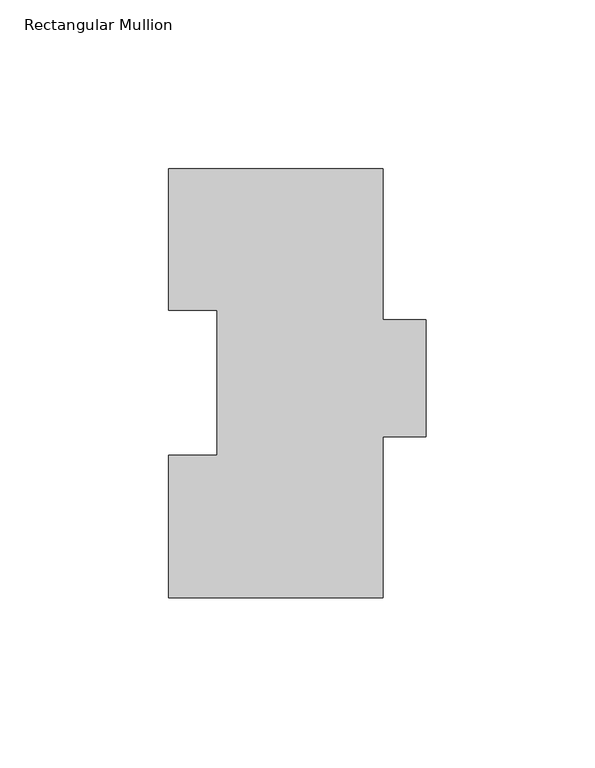
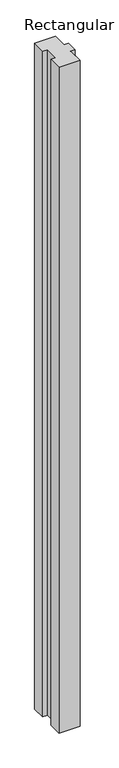
"""IFC4 building model written with IfcOpenShell, lengths in millimetres: member geometry, Rectangular Mullion."""

from ifc_helpers import new_model, si_unit, frame, origin, place, context, project, spatial, polyline, outline, extrude, source, transform, mapped, element, save


def rectangular_mullion_bdb7ef44(model_context):
    return source(origin(), model_context, "Body", "SweptSolid", [
        extrude(outline(polyline([(-31.75, 126.9888875), (31.75, 126.9888875), (31.75, 82.2848875), (44.45, 82.2848875), (44.45, 47.6138875), (31.75, 47.6138875), (31.75, -0.0111125), (-31.75, -0.0111125), (-31.75, 42.2798875), (-17.4625, 42.2798875), (-17.4625, 85.1296875), (-31.75, 85.1296875), (-31.75, 126.9888875)])), frame((0.0, 0.0, -2133.6), z_axis=(0.0, 0.0, 1.0), x_axis=(1.0, 0.0, 0.0)), (0.0, 0.0, 1.0), 2133.6),
    ])


if __name__ == "__main__":
    model = new_model("IFC4")
    model_context = context("Model", 3, world=origin())
    ifc_project = project(units=[si_unit("LENGTHUNIT", "METRE", prefix="MILLI")], contexts=[model_context])
    site = spatial("IfcSite", under=ifc_project)
    building = spatial("IfcBuilding", under=site)
    placement = place(None, origin())
    rectangular_mullion_shape = rectangular_mullion_bdb7ef44(model_context)
    element("IfcMember", 1, ObjectType="Rectangular Mullion", at=placement, inside=building, context=model_context, shape_type="MappedRepresentation", body=[
        mapped(rectangular_mullion_shape, transform((0.0, 0.0, 0.0), x_axis=(1.0, 0.0, 0.0), y_axis=(0.0, 1.0, 0.0), z_axis=(0.0, 0.0, 1.0))),
    ])
    save(model, "model.ifc")
